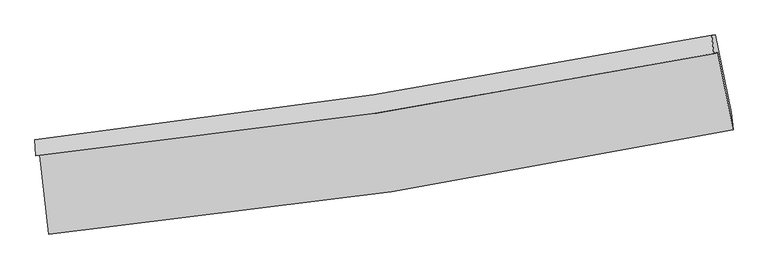
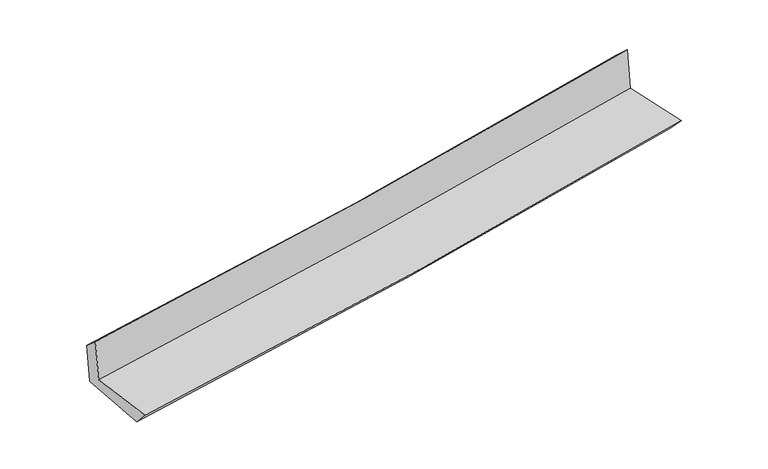
"""IFC4 building model written with IfcOpenShell, lengths in millimetres: proxy geometry."""

from ifc_helpers import new_model, si_unit, frame, origin, place, context, project, spatial, source, transform, mapped, element, save
from ifc_brep_helpers import plane_surface, spline_curve, spline_surface, advanced_brep


def generic_models_d31a92f0(model_context):
    return source(origin(), model_context, "Body", "AdvancedBrep", [
        advanced_brep(
        [(-2885.9691249, -1911.8405112, 1631.3956567), (-2810.5868725, -2577.0356618, 1635.5861476), (2963.8313892, -1696.4501456, 2145.021306), (2835.8615557, -1049.5781629, 2136.3428855), (-2919.8196753, -1916.1448526, 2038.8946529), (2801.2129436, -1053.9839835, 2553.4490915), (-2925.6261645, -1779.6137145, 1923.3376488), (2782.9333084, -899.2017447, 2406.4785094), (-2893.2324419, -1777.4075248, 1535.9606188), (2814.3034404, -897.0521518, 2033.1362153), (-2814.3890698, -2433.6527267, 1486.988392), (2948.0140088, -1549.9039109, 1988.3816038)],
        [
            (0, 1),
            (1, 2, spline_curve(3, [(-2810.5868725, -2577.0356618, 1635.5861476), (-1843.252596269, -2486.034837816, 1741.962840915), (-879.222197921, -2367.329698695, 1837.548613149), (1045.607151829, -2073.996259849, 2007.436311292), (2006.382840931, -1899.172893438, 2081.662258946), (2963.8313892, -1696.4501456, 2145.021306)], [4, 2, 4], [0.0, 9.561283865240458, 19.15616923200242])),
            (2, 3),
            (3, 0, spline_curve(3, [(2835.8615557, -1049.5781629, 2136.3428855), (1885.974261642, -1242.294367049, 2073.655897799), (933.370253945, -1410.590945603, 2000.140698185), (-973.925634175, -1697.840991713, 1831.749246916), (-1928.598520122, -1816.965195883, 1736.948703733), (-2885.9691249, -1911.8405112, 1631.3956567)], [4, 2, 4], [0.0, 9.594885366761961, 19.15616923200242])),
            (4, 0),
            (3, 5),
            (5, 4, spline_curve(3, [(2801.2129436, -1053.9839835, 2553.4490915), (1852.297601304, -1246.576597004, 2479.061573326), (900.245455849, -1414.80300227, 2398.902958121), (-1006.787348949, -1702.019595525, 2227.344461638), (-1961.746076249, -1821.180146391, 2135.984930714), (-2919.8196753, -1916.1448526, 2038.8946529)], [4, 2, 4], [0.0, 9.54902684621354, 19.06461278846241])),
            (6, 4),
            (5, 7),
            (7, 6, spline_curve(3, [(2782.9333084, -899.2017447, 2406.4785094), (1835.894506379, -1088.018778387, 2330.515719557), (885.822063735, -1255.886970762, 2252.19783973), (-1017.052304276, -1549.211157411, 2091.134419999), (-1969.833019386, -1674.813621918, 2008.405346002), (-2925.6261645, -1779.6137145, 1923.3376488)], [4, 2, 4], [0.0, 9.538163799012235, 19.042924736692214])),
            (8, 6),
            (7, 9),
            (9, 8, spline_curve(3, [(2814.3034404, -897.0521518, 2033.1362153), (1867.601519882, -1085.849386738, 1952.863273554), (917.782820938, -1253.702963671, 1871.220430031), (-984.750931348, -1547.008321529, 1705.485653443), (-1937.44419342, -1672.606535266, 1621.403297623), (-2893.2324419, -1777.4075248, 1535.9606188)], [4, 2, 4], [0.0, 9.527759312327793, 19.022152200066635])),
            (10, 8),
            (9, 11),
            (11, 10, spline_curve(3, [(2948.0140088, -1549.9039109, 1988.3816038), (1990.80626287, -1731.419921788, 1907.988646851), (1031.155544715, -1895.923052693, 1825.933199663), (-889.662562457, -2190.387040973, 1658.790505016), (-1850.812870518, -2320.4668486, 1573.714881986), (-2814.3890698, -2433.6527267, 1486.988392)], [4, 2, 4], [0.0, 9.57251935551247, 19.111515535771268])),
            (1, 10),
            (11, 2),
        ],
        [
            spline_surface(3, 3, [[(-2885.9691249, -1911.8405112, 1631.3956567), (-1928.598520087, -1816.965195862, 1736.948703618), (-973.925634224, -1697.840991721, 1831.749246841), (933.370253994, -1410.590945596, 2000.14069826), (1885.974261623, -1242.294366996, 2073.655897958), (2835.8615557, -1049.5781629, 2136.3428855)], [(-2860.841707424, -2133.572228078, 1632.792487), (-1900.14987878, -2039.988409848, 1738.620082737), (-942.357822126, -1921.003894079, 1833.682368909), (970.78255331, -1631.726050301, 2002.572569336), (1926.110454707, -1461.253875781, 2076.324684925), (2878.518166855, -1265.202157132, 2139.235692323)], [(-2835.714289976, -2355.303944922, 1634.1893173), (-1871.701237502, -2263.0116238, 1740.291461857), (-910.790010079, -2144.166796455, 1835.615490931), (1008.194852574, -1852.861155025, 2005.004440365), (1966.246647825, -1680.213384569, 2078.993471924), (2921.174778045, -1480.826151368, 2142.128499177)], [(-2810.5868725, -2577.0356618, 1635.5861476), (-1843.252596195, -2486.034837786, 1741.962840976), (-879.22219798, -2367.329698813, 1837.548613), (1045.607151889, -2073.996259731, 2007.436311442), (2006.382840908, -1899.172893354, 2081.662258892), (2963.8313892, -1696.4501456, 2145.021306)]], [4, 4], [4, 2, 4], [0.0, 2.212786530636684], [0.0, 9.561283865240458, 19.15616923200242]),
            spline_surface(3, 3, [[(-2919.8196753, -1916.1448526, 2038.8946529), (-1961.746076374, -1821.180146496, 2135.984930624), (-1006.787348965, -1702.019595486, 2227.344461662), (900.245455865, -1414.803002309, 2398.902958097), (1852.297601375, -1246.576596916, 2479.061573271), (2801.2129436, -1053.9839835, 2553.4490915)], [(-2908.536158499, -1914.710072147, 1903.061654174), (-1950.696890944, -1819.775162965, 2002.972854962), (-995.83344406, -1700.62672756, 2095.479390052), (911.287055233, -1413.398983401, 2265.982204816), (1863.52315479, -1245.149186925, 2343.926348186), (2812.762480965, -1052.515376616, 2414.413689519)], [(-2897.252641701, -1913.275291653, 1767.228655426), (-1939.647705517, -1818.370179393, 1869.960779279), (-984.879539129, -1699.233859646, 1963.61431845), (922.328654627, -1411.994964504, 2133.061451542), (1874.748708209, -1243.721776987, 2208.791123043), (2824.312018335, -1051.046769784, 2275.378287481)], [(-2885.9691249, -1911.8405112, 1631.3956567), (-1928.598520087, -1816.965195862, 1736.948703618), (-973.925634224, -1697.840991721, 1831.749246841), (933.370253994, -1410.590945596, 2000.14069826), (1885.974261623, -1242.294366996, 2073.655897958), (2835.8615557, -1049.5781629, 2136.3428855)]], [4, 4], [4, 2, 4], [0.0, 1.3076589320330203], [0.0, 9.515585942248869, 19.06461278846241]),
            spline_surface(3, 3, [[(-2925.6261645, -1779.6137145, 1923.3376488), (-1969.833019335, -1674.813621876, 2008.40534607), (-1017.052304366, -1549.211157538, 2091.134419964), (885.822063825, -1255.886970634, 2252.197839765), (1835.894506474, -1088.01877837, 2330.515719408), (2782.9333084, -899.2017447, 2406.4785094)], [(-2923.690668101, -1825.124093842, 1961.856650165), (-1967.137371682, -1723.602463392, 2050.931874253), (-1013.630652553, -1600.147303515, 2136.537767173), (890.629861184, -1308.858981187, 2301.099545852), (1841.36220479, -1140.871384544, 2380.031004023), (2789.026520149, -950.795824292, 2455.468703428)], [(-2921.755171699, -1870.634473258, 2000.375651535), (-1964.441724027, -1772.391304981, 2093.458402441), (-1010.209000777, -1651.083449509, 2181.941114453), (895.437658506, -1361.830991757, 2350.00125201), (1846.829903059, -1193.723990741, 2429.546288655), (2795.119731851, -1002.389903908, 2504.458897472)], [(-2919.8196753, -1916.1448526, 2038.8946529), (-1961.746076374, -1821.180146496, 2135.984930624), (-1006.787348965, -1702.019595486, 2227.344461662), (900.245455865, -1414.803002309, 2398.902958097), (1852.297601375, -1246.576596916, 2479.061573271), (2801.2129436, -1053.9839835, 2553.4490915)]], [4, 4], [4, 2, 4], [0.0, 0.6918168192541553], [0.0, 9.504760937679979, 19.042924736692214]),
            spline_surface(3, 3, [[(-2893.2324419, -1777.4075248, 1535.9606188), (-1937.444193515, -1672.606535181, 1621.403297763), (-984.750931501, -1547.008321372, 1705.485653294), (917.782821093, -1253.702963828, 1871.220430181), (1867.601519847, -1085.849386628, 1952.863273475), (2814.3034404, -897.0521518, 2033.1362153)], [(-2904.030349436, -1778.14292139, 1665.086295469), (-1948.240468791, -1673.34223077, 1750.403980534), (-995.518055803, -1547.742600099, 1834.035242188), (907.129235323, -1254.430966102, 1998.212900046), (1857.032515395, -1086.572517229, 2078.747422115), (2803.846729739, -897.768682787, 2157.583646663)], [(-2914.828256964, -1778.87831791, 1794.211972131), (-1959.036744059, -1674.077926288, 1879.404663299), (-1006.285180064, -1548.476878811, 1962.58483107), (896.475649594, -1255.158968361, 2125.205369899), (1846.463510926, -1087.295647769, 2204.631570767), (2793.390019061, -898.485213713, 2282.031078037)], [(-2925.6261645, -1779.6137145, 1923.3376488), (-1969.833019335, -1674.813621876, 2008.40534607), (-1017.052304366, -1549.211157538, 2091.134419964), (885.822063825, -1255.886970634, 2252.197839765), (1835.894506474, -1088.01877837, 2330.515719408), (2782.9333084, -899.2017447, 2406.4785094)]], [4, 4], [4, 2, 4], [0.0, 1.2619929359840245], [0.0, 9.494392887738842, 19.022152200066635]),
            spline_surface(3, 3, [[(-2814.3890698, -2433.6527267, 1486.988392), (-1850.812870364, -2320.466848605, 1573.714882037), (-889.662562332, -2190.387040967, 1658.790505149), (1031.15554459, -1895.9230527, 1825.933199529), (1990.806262762, -1731.419921706, 1907.988646996), (2948.0140088, -1549.9039109, 1988.3816038)], [(-2840.670193839, -2214.904326062, 1503.312467591), (-1879.689978087, -2104.513410793, 1589.611020603), (-921.358685402, -1975.927467767, 1674.355554545), (993.364636744, -1681.84968974, 1841.028943095), (1949.738015119, -1516.229743331, 1922.946855807), (2903.443819329, -1332.286657851, 2003.299807618)], [(-2866.951317861, -1996.155925438, 1519.636543209), (-1908.567085792, -1888.559972993, 1605.507159196), (-953.054808431, -1761.467894573, 1689.920603897), (955.573728938, -1467.776326787, 1856.124686615), (1908.66976749, -1301.039565003, 1937.905064664), (2858.873629871, -1114.669404849, 2018.218011482)], [(-2893.2324419, -1777.4075248, 1535.9606188), (-1937.444193515, -1672.606535181, 1621.403297763), (-984.750931501, -1547.008321372, 1705.485653294), (917.782821093, -1253.702963828, 1871.220430181), (1867.601519847, -1085.849386628, 1952.863273475), (2814.3034404, -897.0521518, 2033.1362153)]], [4, 4], [4, 2, 4], [0.0, 2.1417984353631643], [0.0, 9.538996180258797, 19.111515535771268]),
            spline_surface(3, 3, [[(-2810.5868725, -2577.0356618, 1635.5861476), (-1843.252596195, -2486.034837786, 1741.962840976), (-879.22219798, -2367.329698813, 1837.548613), (1045.607151889, -2073.996259731, 2007.436311442), (2006.382840908, -1899.172893354, 2081.662258892), (2963.8313892, -1696.4501456, 2145.021306)], [(-2811.854271602, -2529.24135008, 1586.053562401), (-1845.772687587, -2430.845508039, 1685.880187998), (-882.702319425, -2308.348812877, 1777.96257704), (1040.789949462, -2014.638524066, 1946.935274128), (2001.190648189, -1843.255236159, 2023.771054943), (2958.558929063, -1647.601400721, 2092.808071949)], [(-2813.121670698, -2481.44703842, 1536.520977199), (-1848.292778972, -2375.656178352, 1629.797535015), (-886.182440888, -2249.367926903, 1718.376541108), (1035.972747017, -1955.280788364, 1886.434236842), (1995.998455481, -1787.3375789, 1965.879850945), (2953.286468937, -1598.752655779, 2040.594837851)], [(-2814.3890698, -2433.6527267, 1486.988392), (-1850.812870364, -2320.466848605, 1573.714882037), (-889.662562332, -2190.387040967, 1658.790505149), (1031.15554459, -1895.9230527, 1825.933199529), (1990.806262762, -1731.419921706, 1907.988646996), (2948.0140088, -1549.9039109, 1988.3816038)]], [4, 4], [4, 2, 4], [0.0, 0.8307301245041588], [0.0, 9.594850405013679, 19.22342027542831]),
            plane_surface(frame((2857.6927743, -1191.0283499, 2210.4682686), z_axis=(0.9773701909198484, 0.19446865014401302, 0.08324334215097554), x_axis=(-0.08372868783871666, -0.005737387337404371, 0.9964720714698166))),
            plane_surface(frame((-2874.9372248, -2065.9491653, 1708.6938528), z_axis=(-0.9901162204295432, -0.11272908420680201, -0.08343874169840072), x_axis=(-0.11260058047821873, 0.9936206159884151, -0.0062594535520904574))),
        ],
        [
            (0, [[1, 2, 3, 4]]),
            (1, [[5, -4, 6, 7]]),
            (2, [[8, -7, 9, 10]]),
            (3, [[11, -10, 12, 13]]),
            (4, [[14, -13, 15, 16]]),
            (5, [[17, -16, 18, -2]]),
            (6, [[-12, -9, -6, -3, -18, -15]]),
            (7, [[-1, -5, -8, -11, -14, -17]]),
        ],
    ),
    ])


if __name__ == "__main__":
    model = new_model("IFC4")
    model_context = context("Model", 3, world=origin())
    ifc_project = project(units=[si_unit("LENGTHUNIT", "METRE", prefix="MILLI")], contexts=[model_context])
    site = spatial("IfcSite", under=ifc_project)
    building = spatial("IfcBuilding", under=site)
    placement = place(None, origin())
    generic_models_shape = generic_models_d31a92f0(model_context)
    element("IfcBuildingElementProxy", 1, Name="Generic Models", at=placement, inside=building, context=model_context, shape_type="MappedRepresentation", body=[
        mapped(generic_models_shape, transform((0.0, 0.0, 0.0), x_axis=(1.0, 0.0, 0.0), y_axis=(0.0, 1.0, 0.0), z_axis=(0.0, 0.0, 1.0))),
    ])
    save(model, "model.ifc")
